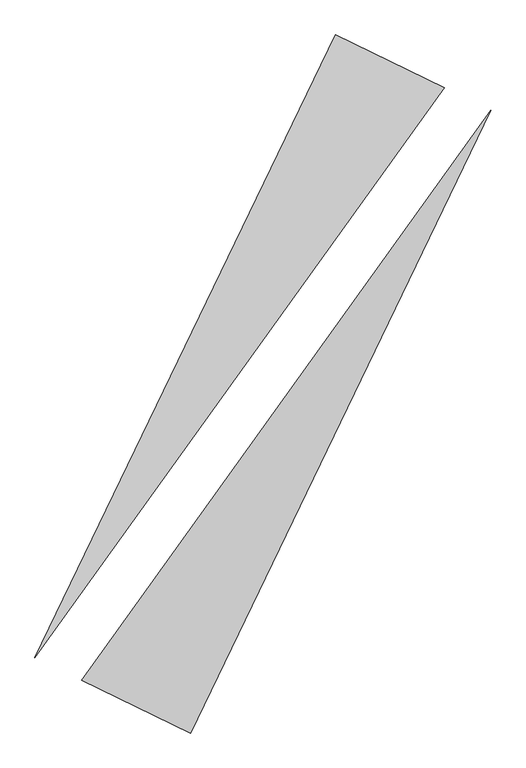
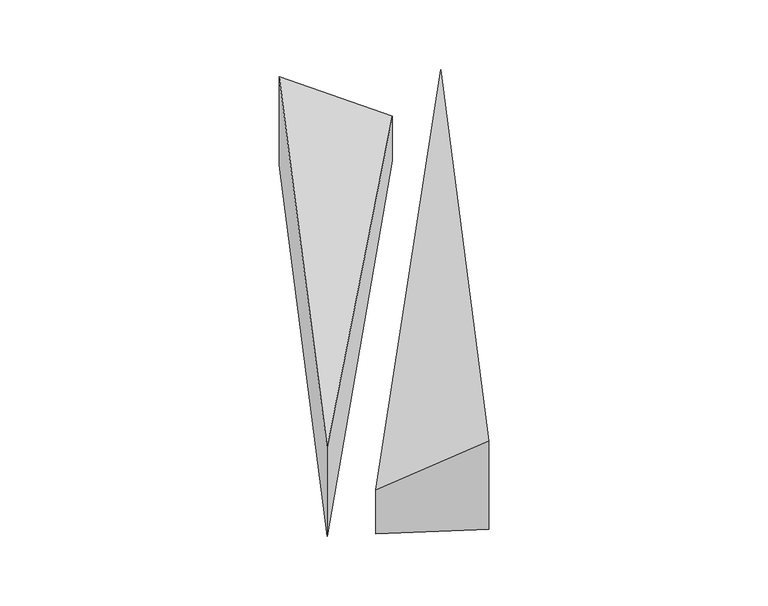
"""IFC4 building model written with IfcOpenShell, lengths in millimetres: proxy geometry."""

from ifc_helpers import new_model, si_unit, origin, place, context, project, spatial, faceted_brep, source, transform, mapped, element, save


def generic_models_889d411c(model_context):
    return source(origin(), model_context, "Body", "Brep", [
        faceted_brep([(1574.4126884, 2571.2301893, 0.0), (628.8334702, 3027.7167085, 0.0), (628.8334702, 3027.7167085, 1000.0), (1574.4126884, 2571.2301893, 500.0), (-1979.6609248, -2375.5931097, 0.0), (-1979.6609248, -2375.5931097, 1000.0)], [[[0, 1, 2, 3]], [[1, 4, 5, 2]], [[4, 0, 3, 5]], [[3, 2, 5]], [[0, 4, 1]]]),
        faceted_brep([(-628.8334702, -3027.7167085, 0.0), (1979.6609248, 2375.5931097, 0.0), (1979.6609248, 2375.5931097, 1000.0), (-628.8334702, -3027.7167085, 1000.0), (-1574.4126884, -2571.2301893, 0.0), (-1574.4126884, -2571.2301893, 500.0)], [[[0, 1, 2, 3]], [[1, 4, 5, 2]], [[4, 0, 3, 5]], [[2, 5, 3]], [[0, 4, 1]]]),
    ])


if __name__ == "__main__":
    model = new_model("IFC4")
    model_context = context("Model", 3, world=origin())
    ifc_project = project(units=[si_unit("LENGTHUNIT", "METRE", prefix="MILLI")], contexts=[model_context])
    site = spatial("IfcSite", under=ifc_project)
    building = spatial("IfcBuilding", under=site)
    placement = place(None, origin())
    generic_models_shape = generic_models_889d411c(model_context)
    element("IfcBuildingElementProxy", 1, Name="Generic Models", at=placement, inside=building, context=model_context, shape_type="MappedRepresentation", body=[
        mapped(generic_models_shape, transform((0.0, 0.0, 0.0), x_axis=(1.0, 0.0, 0.0), y_axis=(0.0, 1.0, 0.0), z_axis=(0.0, 0.0, 1.0))),
    ])
    save(model, "model.ifc")
